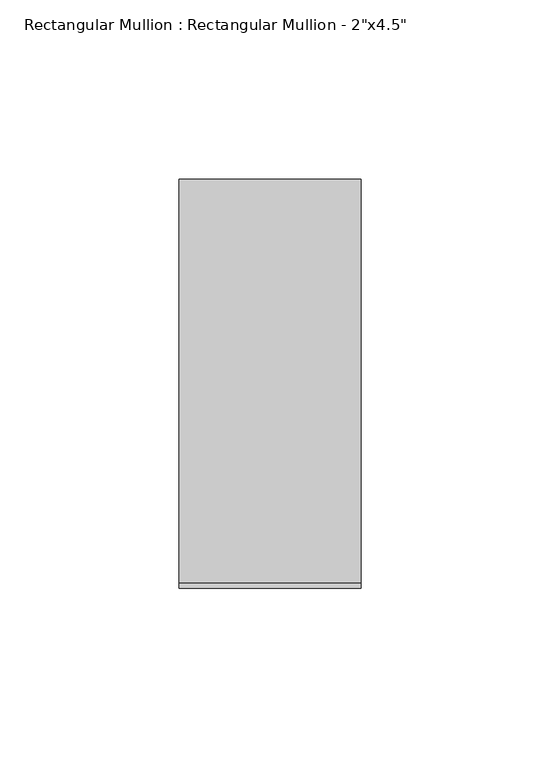
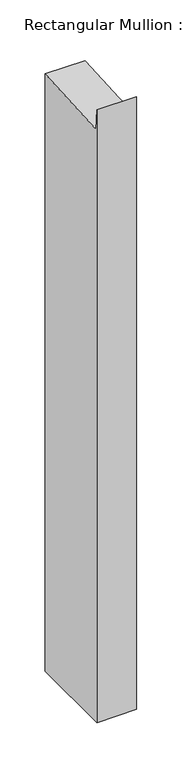
"""IFC4 building model written with IfcOpenShell, lengths in millimetres: member geometry."""

import ifcopenshell
import ifcopenshell.guid

model = None  # the IFC model being written
_history = None  # IfcOwnerHistory: only IFC2X3 demands one
_inside = {}  # id of a spatial element -> (the spatial element, [elements in it])
_under = {}  # id of a project, library or spatial element -> (it, [spatial elements below it])
_declared = {}  # id of a project -> (the project, [libraries it declares])
_typed = {}  # id of a type object -> (the type object, [elements of that type])
_made_of = {}  # id of a material, layer set ... -> (it, [elements and type objects made of it])


def new_model(schema):
    """Start an empty IFC model of exactly this schema.

    Asked for "IFC4X3", IfcOpenShell would pick the latest addendum, in which some entities
    have other attributes; the version numbers below select the first issue.
    IFC2X3 requires an IfcOwnerHistory on every rooted entity: one is made here for all.
    """
    global model, _history
    if schema == "IFC4X3":
        model = ifcopenshell.file(schema_version=(4, 3, 0, 0))
    else:
        model = ifcopenshell.file(schema=schema)
    _inside.clear()
    _under.clear()
    _declared.clear()
    _typed.clear()
    _made_of.clear()
    _history = None
    if model.schema == "IFC2X3":
        org = make("IfcOrganization", Name="unknown")
        user = make(
            "IfcPersonAndOrganization",
            ThePerson=make("IfcPerson", FamilyName="unknown"),
            TheOrganization=org,
        )
        app = make(
            "IfcApplication",
            ApplicationDeveloper=org,
            Version="unknown",
            ApplicationFullName="unknown",
            ApplicationIdentifier="unknown",
        )
        _history = make(
            "IfcOwnerHistory",
            OwningUser=user,
            OwningApplication=app,
            ChangeAction="ADDED",
            CreationDate=0,
        )
    return model


def make(cls, **values):
    """One entity of the class cls with the attributes given. An attribute that is None is left unset."""
    return model.create_entity(
        cls, **{name: value for name, value in values.items() if value is not None}
    )


def rooted(cls, **values):
    """An entity with a GlobalId (a new one), such as an element, a storey or a relation."""
    return make(cls, GlobalId=ifcopenshell.guid.new(), OwnerHistory=_history, **values)


def si_unit(unit_type, name, prefix=None):
    """IfcSIUnit, for example si_unit("LENGTHUNIT", "METRE", prefix="MILLI")."""
    return make("IfcSIUnit", UnitType=unit_type, Prefix=prefix, Name=name)


def assignment(units):
    """IfcUnitAssignment: the units of a project."""
    return None if units is None else make("IfcUnitAssignment", Units=units)


def point(xyz):
    """IfcCartesianPoint."""
    return None if xyz is None else make("IfcCartesianPoint", Coordinates=xyz)


def direction(xyz):
    """IfcDirection."""
    return None if xyz is None else make("IfcDirection", DirectionRatios=xyz)


def frame(location, z_axis=None, x_axis=None):
    """IfcAxis2Placement3D, a coordinate frame: its origin and axes. An axis left out is left unset."""
    return make(
        "IfcAxis2Placement3D",
        Location=point(location),
        Axis=direction(z_axis),
        RefDirection=direction(x_axis),
    )


def origin():
    """The frame at (0, 0, 0) with its axes left unset."""
    return frame((0.0, 0.0, 0.0))


def place(relative_to, where):
    """IfcLocalPlacement: puts the frame where relative to a parent placement (None: the world)."""
    return make(
        "IfcLocalPlacement", PlacementRelTo=relative_to, RelativePlacement=where
    )


def context(
    kind, dimensions, precision=None, world=None, true_north=None, identifier=None
):
    """IfcGeometricRepresentationContext, for example the 3D "Model" context."""
    return make(
        "IfcGeometricRepresentationContext",
        ContextIdentifier=identifier,
        ContextType=kind,
        CoordinateSpaceDimension=dimensions,
        Precision=precision,
        WorldCoordinateSystem=world,
        TrueNorth=true_north,
    )


def project(units=None, contexts=None):
    """IfcProject with its units and contexts."""
    return rooted(
        "IfcProject",
        Name="project",
        RepresentationContexts=contexts,
        UnitsInContext=assignment(units),
    )


def spatial(cls, under=None, at=None, **own):
    """A site, building, storey or space (cls), placed at a placement, below another one or the project."""
    s = rooted(cls, ObjectPlacement=at, **own)
    if under is not None:
        _under.setdefault(under.id(), (under, []))[1].append(s)
    return s


def polyline(points):
    """IfcPolyline through the points."""
    return make("IfcPolyline", Points=[point(p) for p in points])


def outline(outer, holes=None, kind="AREA"):
    """IfcArbitraryClosedProfileDef: a profile drawn as a closed curve; with holes, ...WithVoids."""
    if holes is None:
        return make("IfcArbitraryClosedProfileDef", ProfileType=kind, OuterCurve=outer)
    return make(
        "IfcArbitraryProfileDefWithVoids",
        ProfileType=kind,
        OuterCurve=outer,
        InnerCurves=holes,
    )


def extrude(swept, where, along, depth):
    """IfcExtrudedAreaSolid: the profile swept, set in the frame where, extruded along a direction by depth."""
    return make(
        "IfcExtrudedAreaSolid",
        SweptArea=swept,
        Position=where,
        ExtrudedDirection=direction(along),
        Depth=depth,
    )


def shape(context_of_items, identifier, shape_type, items):
    """IfcShapeRepresentation: the items that make up one representation, for example the "Body"."""
    return make(
        "IfcShapeRepresentation",
        ContextOfItems=context_of_items,
        RepresentationIdentifier=identifier,
        RepresentationType=shape_type,
        Items=items,
    )


def source(mapping_origin, context_of_items, identifier, shape_type, items):
    """IfcRepresentationMap: a shape defined once, which mapped items show again and again."""
    return make(
        "IfcRepresentationMap",
        MappingOrigin=mapping_origin,
        MappedRepresentation=shape(context_of_items, identifier, shape_type, items),
    )


def transform(
    local_origin,
    x_axis=None,
    y_axis=None,
    z_axis=None,
    scale=None,
    scale2=None,
    scale3=None,
    uniform=True,
):
    """IfcCartesianTransformationOperator3D, or its non-uniform kind. x_axis, y_axis, z_axis: its Axis1, 2, 3."""
    if uniform:
        return make(
            "IfcCartesianTransformationOperator3D",
            Axis1=direction(x_axis),
            Axis2=direction(y_axis),
            LocalOrigin=point(local_origin),
            Scale=scale,
            Axis3=direction(z_axis),
        )
    return make(
        "IfcCartesianTransformationOperator3DnonUniform",
        Axis1=direction(x_axis),
        Axis2=direction(y_axis),
        LocalOrigin=point(local_origin),
        Scale=scale,
        Axis3=direction(z_axis),
        Scale2=scale2,
        Scale3=scale3,
    )


def mapped(mapping_source, mapping_target):
    """IfcMappedItem: shows the shape of a source again, moved by a transform."""
    return make(
        "IfcMappedItem", MappingSource=mapping_source, MappingTarget=mapping_target
    )


def made_of(thing, what):
    """Note that an element or type object is made of a material, layer set ...; save() writes the relation."""
    if what is not None:
        _made_of.setdefault(what.id(), (what, []))[1].append(thing)
    return thing


def element(
    cls,
    number,
    at=None,
    inside=None,
    cuts=None,
    type_object=None,
    material=None,
    context=None,
    identifier="Body",
    shape_type=None,
    held_by="IfcProductDefinitionShape",
    body=None,
    shapes=None,
    **own,
):
    """One element of the class cls, such as IfcWall. Its Tag is "e" and its number.

    at: its placement. inside: the storey or other place that contains it. cuts: it is an
    opening in that element (IfcRelVoidsElement). A single representation is given by context,
    identifier, shape_type and body (its items); several are given by shapes. held_by: the class
    of the entity that holds the representations. save() writes the other relations.
    """
    e = rooted(cls, Tag="e%d" % number, ObjectPlacement=at, **own)
    if body is not None:
        shapes = [shape(context, identifier, shape_type, body)]
    if shapes is not None:
        e.Representation = make(held_by, Representations=shapes)
    if inside is not None:
        _inside.setdefault(inside.id(), (inside, []))[1].append(e)
    if cuts is not None:
        rooted(
            "IfcRelVoidsElement", RelatingBuildingElement=cuts, RelatedOpeningElement=e
        )
    if type_object is not None:
        _typed.setdefault(type_object.id(), (type_object, []))[1].append(e)
    return made_of(e, material)


def aggregate(whole, parts):
    """IfcRelAggregates: a whole, such as a stair, and the parts it consists of."""
    return rooted("IfcRelAggregates", RelatingObject=whole, RelatedObjects=parts)


def save(model, path):
    """Write the relations noted so far, then the file.

    IfcRelAggregates (storeys below a building ...), IfcRelContainedInSpatialStructure (elements
    in a storey), IfcRelDefinesByType, IfcRelAssociatesMaterial and IfcRelDeclares: one each for
    every whole, place, type object, material and project.
    """
    for whole, parts in _under.values():
        aggregate(whole, parts)
    for where, things in _inside.values():
        rooted(
            "IfcRelContainedInSpatialStructure",
            RelatedElements=things,
            RelatingStructure=where,
        )
    for kind, things in _typed.values():
        rooted("IfcRelDefinesByType", RelatedObjects=things, RelatingType=kind)
    for what, things in _made_of.values():
        rooted("IfcRelAssociatesMaterial", RelatedObjects=things, RelatingMaterial=what)
    for by, libraries in _declared.values():
        rooted("IfcRelDeclares", RelatingContext=by, RelatedDefinitions=libraries)
    model.write(path)


def member_4693f3d3(model_context):
    return source(origin(), model_context, "Body", "SweptSolid", [
        extrude(outline(polyline([(-57.15, 23.7952212), (-55.6346001, -3.1670049), (57.15, 3.1720032), (57.15, -801.813219), (-57.15, -801.813219), (-57.15, 23.7952212)])), frame((-50.8, 0.0, 0.0), z_axis=(1.0, 0.0, 0.0), x_axis=(0.0, 1.0, 0.0)), (0.0, 0.0, 1.0), 50.8),
    ])


if __name__ == "__main__":
    model = new_model("IFC4")
    model_context = context("Model", 3, world=origin())
    ifc_project = project(units=[si_unit("LENGTHUNIT", "METRE", prefix="MILLI")], contexts=[model_context])
    site = spatial("IfcSite", under=ifc_project)
    building = spatial("IfcBuilding", under=site)
    placement = place(None, origin())
    member_shape = member_4693f3d3(model_context)
    element("IfcMember", 1, ObjectType="Rectangular Mullion : Rectangular Mullion - 2\"x4.5\"", at=placement, inside=building, context=model_context, shape_type="MappedRepresentation", body=[
        mapped(member_shape, transform((0.0, 0.0, 0.0), x_axis=(1.0, 0.0, 0.0), y_axis=(0.0, 1.0, 0.0), z_axis=(0.0, 0.0, 1.0))),
    ])
    save(model, "model.ifc")
